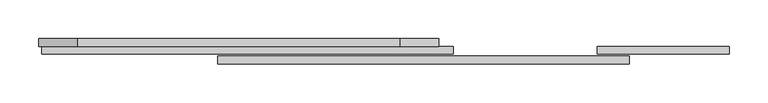
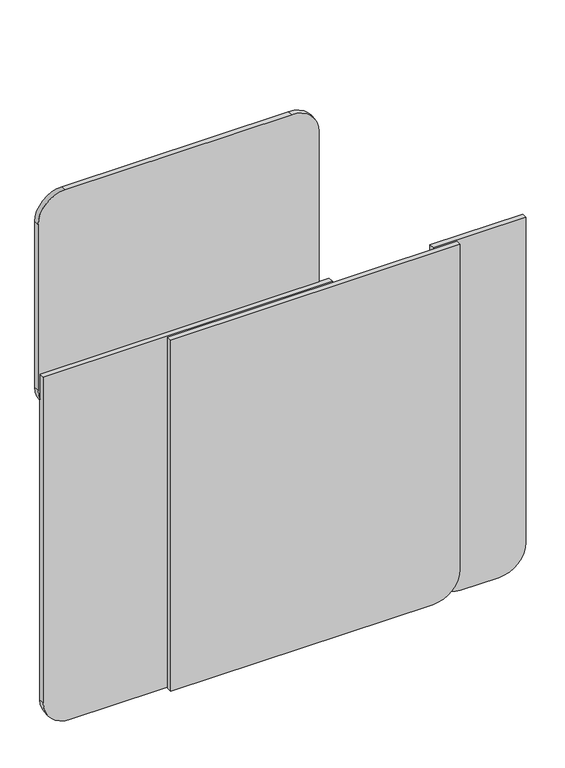
"""IFC4 building model written with IfcOpenShell, lengths in millimetres: proxy geometry."""

from ifc_helpers import new_model, si_unit, point, frame, frame_2d, origin, place, context, project, spatial, polyline, circle_curve, trimmed, segment, composite_curve, outline, extrude, source, transform, mapped, element, save


def specialty_equipment_bb0f3873(model_context):
    return source(origin(), model_context, "Body", "SweptSolid", [
        extrude(outline(composite_curve([segment(polyline([(708.3957885, -363.4997748), (708.3957885, 51.4999789)]), True, "CONTINUOUS"), segment(trimmed(circle_curve(frame_2d((758.3957885, 51.4999789)), 50.0), [point((708.3957885, 51.4999789))], [point((758.3957885, 101.4999789))], False, "CARTESIAN"), True, "CONTINUOUS"), segment(polyline([(758.3957885, 101.4999789), (1079.3496683, 101.4999789)]), True, "CONTINUOUS"), segment(trimmed(circle_curve(frame_2d((1079.3496683, 51.4999789)), 50.0), [point((1079.3496683, 101.4999789))], [point((1129.3496683, 51.4999789))], False, "CARTESIAN"), True, "CONTINUOUS"), segment(polyline([(1129.3496683, 51.4999789), (1129.3496683, -363.4997748)]), True, "CONTINUOUS"), segment(trimmed(circle_curve(frame_2d((1079.3496683, -363.4997748)), 50.0), [point((1129.3496683, -363.4997748))], [point((1079.3496683, -413.4997748))], False, "CARTESIAN"), True, "CONTINUOUS"), segment(polyline([(1079.3496683, -413.4997748), (758.3957885, -413.4997748)]), True, "CONTINUOUS"), segment(trimmed(circle_curve(frame_2d((758.3957885, -363.4997748)), 50.0), [point((758.3957885, -413.4997748))], [point((708.3957885, -363.4997748))], False, "CARTESIAN"), True, "CONTINUOUS")], self_intersect=False)), frame((0.0, 22.5, 0.0), z_axis=(0.0, 1.0, 0.0), x_axis=(0.0, 0.0, 1.0)), (0.0, 0.0, 1.0), 10.0),
        extrude(outline(composite_curve([segment(polyline([(788.6077885, 474.9999789), (788.6077885, 305.0001829), (158.6079724, 305.0001829)]), True, "CONTINUOUS"), segment(trimmed(circle_curve(frame_2d((158.6079724, 355.0001829)), 50.0), [point((158.6079724, 305.0001829))], [point((108.6079724, 355.0001829))], False, "CARTESIAN"), True, "CONTINUOUS"), segment(polyline([(108.6079724, 355.0001829), (108.6079724, 424.9999789)]), True, "CONTINUOUS"), segment(trimmed(circle_curve(frame_2d((158.6079724, 424.9999789)), 50.0), [point((108.6079724, 424.9999789))], [point((158.6079724, 474.9999789))], False, "CARTESIAN"), True, "CONTINUOUS"), segment(polyline([(158.6079724, 474.9999789), (788.6077885, 474.9999789)]), True, "CONTINUOUS")], self_intersect=False)), frame((0.0, 12.5, 0.0), z_axis=(0.0, 1.0, 0.0), x_axis=(0.0, 0.0, 1.0)), (0.0, 0.0, 1.0), 10.0),
        extrude(outline(composite_curve([segment(polyline([(788.6077885, 346.7315737), (788.6077885, -183.2686303), (108.6079724, -183.2686303), (108.6079724, 296.7315737)]), True, "CONTINUOUS"), segment(trimmed(circle_curve(frame_2d((158.6079724, 296.7315737)), 50.0), [point((108.6079724, 296.7315737))], [point((158.6079724, 346.7315737))], False, "CARTESIAN"), True, "CONTINUOUS"), segment(polyline([(158.6079724, 346.7315737), (788.6077885, 346.7315737)]), True, "CONTINUOUS")], self_intersect=False)), frame((0.0, 0.0, 0.0), z_axis=(0.0, 1.0, 0.0), x_axis=(0.0, 0.0, 1.0)), (0.0, 0.0, 1.0), 10.0),
        extrude(outline(composite_curve([segment(polyline([(788.6077885, 120.0001829), (788.6077885, -410.0000211), (158.6079724, -410.0000211)]), True, "CONTINUOUS"), segment(trimmed(circle_curve(frame_2d((158.6079724, -360.0000211)), 50.0), [point((158.6079724, -410.0000211))], [point((108.6079724, -360.0000211))], False, "CARTESIAN"), True, "CONTINUOUS"), segment(polyline([(108.6079724, -360.0000211), (108.6079724, 120.0001829), (788.6077885, 120.0001829)]), True, "CONTINUOUS")], self_intersect=False)), frame((0.0, 12.5, 0.0), z_axis=(0.0, 1.0, 0.0), x_axis=(0.0, 0.0, 1.0)), (0.0, 0.0, 1.0), 10.0),
    ])


if __name__ == "__main__":
    model = new_model("IFC4")
    model_context = context("Model", 3, world=origin())
    ifc_project = project(units=[si_unit("LENGTHUNIT", "METRE", prefix="MILLI")], contexts=[model_context])
    site = spatial("IfcSite", under=ifc_project)
    building = spatial("IfcBuilding", under=site)
    placement = place(None, origin())
    specialty_equipment_shape = specialty_equipment_bb0f3873(model_context)
    element("IfcBuildingElementProxy", 1, Name="Specialty Equipment", at=placement, inside=building, context=model_context, shape_type="MappedRepresentation", body=[
        mapped(specialty_equipment_shape, transform((0.0, 0.0, 0.0), x_axis=(1.0, 0.0, 0.0), y_axis=(0.0, 1.0, 0.0), z_axis=(0.0, 0.0, 1.0))),
    ])
    save(model, "model.ifc")
